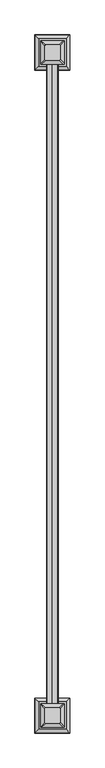
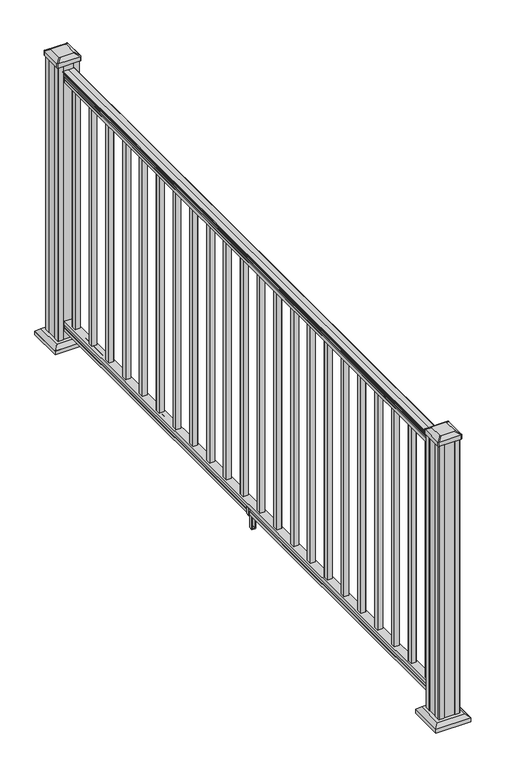
"""IFC4 building model written with IfcOpenShell, lengths in millimetres: railing geometry."""

import ifcopenshell
import ifcopenshell.guid

model = None  # the IFC model being written
_history = None  # IfcOwnerHistory: only IFC2X3 demands one
_inside = {}  # id of a spatial element -> (the spatial element, [elements in it])
_under = {}  # id of a project, library or spatial element -> (it, [spatial elements below it])
_declared = {}  # id of a project -> (the project, [libraries it declares])
_typed = {}  # id of a type object -> (the type object, [elements of that type])
_made_of = {}  # id of a material, layer set ... -> (it, [elements and type objects made of it])


def new_model(schema):
    """Start an empty IFC model of exactly this schema.

    Asked for "IFC4X3", IfcOpenShell would pick the latest addendum, in which some entities
    have other attributes; the version numbers below select the first issue.
    IFC2X3 requires an IfcOwnerHistory on every rooted entity: one is made here for all.
    """
    global model, _history
    if schema == "IFC4X3":
        model = ifcopenshell.file(schema_version=(4, 3, 0, 0))
    else:
        model = ifcopenshell.file(schema=schema)
    _inside.clear()
    _under.clear()
    _declared.clear()
    _typed.clear()
    _made_of.clear()
    _history = None
    if model.schema == "IFC2X3":
        org = make("IfcOrganization", Name="unknown")
        user = make(
            "IfcPersonAndOrganization",
            ThePerson=make("IfcPerson", FamilyName="unknown"),
            TheOrganization=org,
        )
        app = make(
            "IfcApplication",
            ApplicationDeveloper=org,
            Version="unknown",
            ApplicationFullName="unknown",
            ApplicationIdentifier="unknown",
        )
        _history = make(
            "IfcOwnerHistory",
            OwningUser=user,
            OwningApplication=app,
            ChangeAction="ADDED",
            CreationDate=0,
        )
    return model


def make(cls, **values):
    """One entity of the class cls with the attributes given. An attribute that is None is left unset."""
    return model.create_entity(
        cls, **{name: value for name, value in values.items() if value is not None}
    )


def rooted(cls, **values):
    """An entity with a GlobalId (a new one), such as an element, a storey or a relation."""
    return make(cls, GlobalId=ifcopenshell.guid.new(), OwnerHistory=_history, **values)


def si_unit(unit_type, name, prefix=None):
    """IfcSIUnit, for example si_unit("LENGTHUNIT", "METRE", prefix="MILLI")."""
    return make("IfcSIUnit", UnitType=unit_type, Prefix=prefix, Name=name)


def assignment(units):
    """IfcUnitAssignment: the units of a project."""
    return None if units is None else make("IfcUnitAssignment", Units=units)


def point(xyz):
    """IfcCartesianPoint."""
    return None if xyz is None else make("IfcCartesianPoint", Coordinates=xyz)


def direction(xyz):
    """IfcDirection."""
    return None if xyz is None else make("IfcDirection", DirectionRatios=xyz)


def frame(location, z_axis=None, x_axis=None):
    """IfcAxis2Placement3D, a coordinate frame: its origin and axes. An axis left out is left unset."""
    return make(
        "IfcAxis2Placement3D",
        Location=point(location),
        Axis=direction(z_axis),
        RefDirection=direction(x_axis),
    )


def frame_2d(location, x_axis=None):
    """IfcAxis2Placement2D, a coordinate frame in the plane: its origin and x axis."""
    return make(
        "IfcAxis2Placement2D", Location=point(location), RefDirection=direction(x_axis)
    )


def origin():
    """The frame at (0, 0, 0) with its axes left unset."""
    return frame((0.0, 0.0, 0.0))


def origin_with_axes():
    """The frame at (0, 0, 0) with the z axis (0, 0, 1) and the x axis (1, 0, 0) written out."""
    return frame((0.0, 0.0, 0.0), z_axis=(0.0, 0.0, 1.0), x_axis=(1.0, 0.0, 0.0))


def place(relative_to, where):
    """IfcLocalPlacement: puts the frame where relative to a parent placement (None: the world)."""
    return make(
        "IfcLocalPlacement", PlacementRelTo=relative_to, RelativePlacement=where
    )


def context(
    kind, dimensions, precision=None, world=None, true_north=None, identifier=None
):
    """IfcGeometricRepresentationContext, for example the 3D "Model" context."""
    return make(
        "IfcGeometricRepresentationContext",
        ContextIdentifier=identifier,
        ContextType=kind,
        CoordinateSpaceDimension=dimensions,
        Precision=precision,
        WorldCoordinateSystem=world,
        TrueNorth=true_north,
    )


def project(units=None, contexts=None):
    """IfcProject with its units and contexts."""
    return rooted(
        "IfcProject",
        Name="project",
        RepresentationContexts=contexts,
        UnitsInContext=assignment(units),
    )


def spatial(cls, under=None, at=None, **own):
    """A site, building, storey or space (cls), placed at a placement, below another one or the project."""
    s = rooted(cls, ObjectPlacement=at, **own)
    if under is not None:
        _under.setdefault(under.id(), (under, []))[1].append(s)
    return s


def polyline(points):
    """IfcPolyline through the points."""
    return make("IfcPolyline", Points=[point(p) for p in points])


def circle_curve(where, radius):
    """IfcCircle in the frame where."""
    return make("IfcCircle", Position=where, Radius=radius)


def trimmed(basis, trim1, trim2, sense, master):
    """IfcTrimmedCurve: the piece of a basis curve between two trims."""
    return make(
        "IfcTrimmedCurve",
        BasisCurve=basis,
        Trim1=trim1,
        Trim2=trim2,
        SenseAgreement=sense,
        MasterRepresentation=master,
    )


def segment(curve, same_sense, transition):
    """IfcCompositeCurveSegment."""
    return make(
        "IfcCompositeCurveSegment",
        Transition=transition,
        SameSense=same_sense,
        ParentCurve=curve,
    )


def composite_curve(segments, self_intersect=None):
    """IfcCompositeCurve: segments joined end to end."""
    return make("IfcCompositeCurve", Segments=segments, SelfIntersect=self_intersect)


def outline(outer, holes=None, kind="AREA"):
    """IfcArbitraryClosedProfileDef: a profile drawn as a closed curve; with holes, ...WithVoids."""
    if holes is None:
        return make("IfcArbitraryClosedProfileDef", ProfileType=kind, OuterCurve=outer)
    return make(
        "IfcArbitraryProfileDefWithVoids",
        ProfileType=kind,
        OuterCurve=outer,
        InnerCurves=holes,
    )


def extrude(swept, where, along, depth):
    """IfcExtrudedAreaSolid: the profile swept, set in the frame where, extruded along a direction by depth."""
    return make(
        "IfcExtrudedAreaSolid",
        SweptArea=swept,
        Position=where,
        ExtrudedDirection=direction(along),
        Depth=depth,
    )


def faces_of(points, faces, orient=None, outer=None):
    """IfcFace entities. A face is a list of loops; a loop is a list of indices into points, from 0.

    orient and outer hold one flag for each loop. By default every Orientation is true, the
    first loop of a face is its IfcFaceOuterBound and the others are IfcFaceBound.
    """
    made = []
    for i, loops in enumerate(faces):
        bounds = []
        for j, loop in enumerate(loops):
            is_outer = j == 0 if outer is None else outer[i][j]
            bounds.append(
                make(
                    "IfcFaceOuterBound" if is_outer else "IfcFaceBound",
                    Bound=make("IfcPolyLoop", Polygon=[points[k] for k in loop]),
                    Orientation=True if orient is None else orient[i][j],
                )
            )
        made.append(make("IfcFace", Bounds=bounds))
    return made


def faceted_brep(points, faces, orient=None, outer=None, voids=None):
    """IfcFacetedBrep: a solid bounded by flat faces; with voids (closed shells), ...WithVoids."""
    shared = [point(p) for p in points]
    hull = make("IfcClosedShell", CfsFaces=faces_of(shared, faces, orient, outer))
    if voids is None:
        return make("IfcFacetedBrep", Outer=hull)
    return make(
        "IfcFacetedBrepWithVoids",
        Outer=hull,
        Voids=[
            make(cls, CfsFaces=faces_of(shared, fs, o, b)) for cls, fs, o, b in voids
        ],
    )


def shape(context_of_items, identifier, shape_type, items):
    """IfcShapeRepresentation: the items that make up one representation, for example the "Body"."""
    return make(
        "IfcShapeRepresentation",
        ContextOfItems=context_of_items,
        RepresentationIdentifier=identifier,
        RepresentationType=shape_type,
        Items=items,
    )


def source(mapping_origin, context_of_items, identifier, shape_type, items):
    """IfcRepresentationMap: a shape defined once, which mapped items show again and again."""
    return make(
        "IfcRepresentationMap",
        MappingOrigin=mapping_origin,
        MappedRepresentation=shape(context_of_items, identifier, shape_type, items),
    )


def transform(
    local_origin,
    x_axis=None,
    y_axis=None,
    z_axis=None,
    scale=None,
    scale2=None,
    scale3=None,
    uniform=True,
):
    """IfcCartesianTransformationOperator3D, or its non-uniform kind. x_axis, y_axis, z_axis: its Axis1, 2, 3."""
    if uniform:
        return make(
            "IfcCartesianTransformationOperator3D",
            Axis1=direction(x_axis),
            Axis2=direction(y_axis),
            LocalOrigin=point(local_origin),
            Scale=scale,
            Axis3=direction(z_axis),
        )
    return make(
        "IfcCartesianTransformationOperator3DnonUniform",
        Axis1=direction(x_axis),
        Axis2=direction(y_axis),
        LocalOrigin=point(local_origin),
        Scale=scale,
        Axis3=direction(z_axis),
        Scale2=scale2,
        Scale3=scale3,
    )


def mapped(mapping_source, mapping_target):
    """IfcMappedItem: shows the shape of a source again, moved by a transform."""
    return make(
        "IfcMappedItem", MappingSource=mapping_source, MappingTarget=mapping_target
    )


def made_of(thing, what):
    """Note that an element or type object is made of a material, layer set ...; save() writes the relation."""
    if what is not None:
        _made_of.setdefault(what.id(), (what, []))[1].append(thing)
    return thing


def element(
    cls,
    number,
    at=None,
    inside=None,
    cuts=None,
    type_object=None,
    material=None,
    context=None,
    identifier="Body",
    shape_type=None,
    held_by="IfcProductDefinitionShape",
    body=None,
    shapes=None,
    **own,
):
    """One element of the class cls, such as IfcWall. Its Tag is "e" and its number.

    at: its placement. inside: the storey or other place that contains it. cuts: it is an
    opening in that element (IfcRelVoidsElement). A single representation is given by context,
    identifier, shape_type and body (its items); several are given by shapes. held_by: the class
    of the entity that holds the representations. save() writes the other relations.
    """
    e = rooted(cls, Tag="e%d" % number, ObjectPlacement=at, **own)
    if body is not None:
        shapes = [shape(context, identifier, shape_type, body)]
    if shapes is not None:
        e.Representation = make(held_by, Representations=shapes)
    if inside is not None:
        _inside.setdefault(inside.id(), (inside, []))[1].append(e)
    if cuts is not None:
        rooted(
            "IfcRelVoidsElement", RelatingBuildingElement=cuts, RelatedOpeningElement=e
        )
    if type_object is not None:
        _typed.setdefault(type_object.id(), (type_object, []))[1].append(e)
    return made_of(e, material)


def aggregate(whole, parts):
    """IfcRelAggregates: a whole, such as a stair, and the parts it consists of."""
    return rooted("IfcRelAggregates", RelatingObject=whole, RelatedObjects=parts)


def save(model, path):
    """Write the relations noted so far, then the file.

    IfcRelAggregates (storeys below a building ...), IfcRelContainedInSpatialStructure (elements
    in a storey), IfcRelDefinesByType, IfcRelAssociatesMaterial and IfcRelDeclares: one each for
    every whole, place, type object, material and project.
    """
    for whole, parts in _under.values():
        aggregate(whole, parts)
    for where, things in _inside.values():
        rooted(
            "IfcRelContainedInSpatialStructure",
            RelatedElements=things,
            RelatingStructure=where,
        )
    for kind, things in _typed.values():
        rooted("IfcRelDefinesByType", RelatedObjects=things, RelatingType=kind)
    for what, things in _made_of.values():
        rooted("IfcRelAssociatesMaterial", RelatedObjects=things, RelatingMaterial=what)
    for by, libraries in _declared.values():
        rooted("IfcRelDeclares", RelatingContext=by, RelatedDefinitions=libraries)
    model.write(path)


def plane_surface(at):
    """IfcPlane: the flat surface through the origin of the frame at, square to its z axis."""
    return make("IfcPlane", Position=at)


def cylinder_surface(at, radius):
    """IfcCylindricalSurface: all points at the distance radius from the z axis of the frame at."""
    return make("IfcCylindricalSurface", Position=at, Radius=radius)


def revolved_surface(curve, axis_point, axis_direction):
    """IfcSurfaceOfRevolution: the curve turned about the line through axis_point along axis_direction."""
    return make(
        "IfcSurfaceOfRevolution",
        SweptCurve=make("IfcArbitraryOpenProfileDef", ProfileType="CURVE", Curve=curve),
        AxisPosition=make("IfcAxis1Placement", Location=point(axis_point), Axis=direction(axis_direction)),
    )


def extruded_surface(curve, direction_of_extrusion, depth):
    """IfcSurfaceOfLinearExtrusion: the curve pushed along a direction by depth."""
    return make(
        "IfcSurfaceOfLinearExtrusion",
        SweptCurve=make("IfcArbitraryOpenProfileDef", ProfileType="CURVE", Curve=curve),
        ExtrudedDirection=direction(direction_of_extrusion),
        Depth=depth,
    )


def advanced_brep(points, edges, surfaces, faces):
    """IfcAdvancedBrep: a solid bounded by faces that lie on surfaces and meet in shared edges.

    An edge is (start, end): straight between two places in points (the first is 0);
    or (start, end, curve); or (start, end, curve, False) where it runs against its curve.
    A face is (place in surfaces, loops), or (place, loops, False) where it looks against
    its surface's normal. A loop lists edges by number (the first is 1), with a minus sign
    where the edge is run from its end to its start. The first loop is the outer one.
    """
    corners = [point(p) for p in points]
    vertices = [make("IfcVertexPoint", VertexGeometry=c) for c in corners]
    made = []
    for start, end, *more in edges:
        made.append(
            make(
                "IfcEdgeCurve",
                EdgeStart=vertices[start],
                EdgeEnd=vertices[end],
                EdgeGeometry=more[0] if more else make("IfcPolyline", Points=[corners[start], corners[end]]),
                SameSense=more[1] if len(more) > 1 else True,
            )
        )
    hull = []
    for where, loops, *sense in faces:
        bounds = []
        for j, loop in enumerate(loops):
            ring = [make("IfcOrientedEdge", EdgeElement=made[abs(k) - 1], Orientation=k > 0) for k in loop]
            bounds.append(
                make(
                    "IfcFaceOuterBound" if j == 0 else "IfcFaceBound",
                    Bound=make("IfcEdgeLoop", EdgeList=ring),
                    Orientation=True,
                )
            )
        hull.append(make("IfcAdvancedFace", Bounds=bounds, FaceSurface=surfaces[where], SameSense=sense[0] if sense else True))
    return make("IfcAdvancedBrep", Outer=make("IfcClosedShell", CfsFaces=hull))


def railing_ca5178e3(model_context):
    return source(origin(), model_context, "Body", "SolidModel", [
        advanced_brep(
        [(4827.1291125, 1894.4700183, 1090.8043297), (4829.7029412, 1894.4700183, 1090.8043297), (4829.7029412, 1894.4700183, 1080.147013), (4828.6869412, 1894.4700183, 1079.131013), (4828.6869412, 1894.4700183, 1066.8), (4860.4369412, 1894.4700183, 1066.8), (4860.4369412, 1894.4700183, 1079.2888283), (4859.4209412, 1894.4700183, 1080.3048283), (4859.4209412, 1894.4700183, 1090.8043297), (4861.9947699, 1894.4700183, 1090.8043297), (4861.9947699, 1894.4700183, 1092.692412), (4863.1249562, 1894.4700183, 1094.2546695), (4863.1249562, 1894.4700183, 1101.4726458), (4862.4756998, 1894.4700183, 1103.9060812), (4864.9756998, 1894.4700183, 1108.2362083), (4866.3850423, 1894.4700183, 1109.9157972), (4866.7869413, 1894.4700183, 1111.0205318), (4866.7869412, 1894.4700183, 1112.3608158), (4865.233494, 1894.4700183, 1113.914263), (4844.5619412, 1894.4700183, 1113.914263), (4823.8903884, 1894.4700183, 1113.914263), (4822.3369412, 1894.4700183, 1112.3608158), (4822.3369412, 1894.4700183, 1111.0205318), (4822.7388401, 1894.4700183, 1109.9157972), (4824.1481826, 1894.4700183, 1108.2362083), (4826.6481826, 1894.4700183, 1103.9060812), (4825.9989262, 1894.4700183, 1101.4726458), (4825.9989262, 1894.4700183, 1094.2546695), (4827.1291125, 1894.4700183, 1092.692412), (4827.1291125, 4332.8700183, 1090.8043297), (4827.1291125, 4332.8700183, 1092.692412), (4825.9989262, 4332.8700183, 1094.2546695), (4825.9989262, 4332.8700183, 1101.4726458), (4826.6481826, 4332.8700183, 1103.9060812), (4824.1481826, 4332.8700183, 1108.2362083), (4822.7388401, 4332.8700183, 1109.9157972), (4822.3369411, 4332.8700183, 1111.0205318), (4822.3369412, 4332.8700183, 1112.3608158), (4823.8903884, 4332.8700183, 1113.914263), (4844.5619412, 4332.8700183, 1113.914263), (4865.233494, 4332.8700183, 1113.914263), (4866.7869412, 4332.8700183, 1112.3608158), (4866.7869412, 4332.8700183, 1111.0205318), (4866.3850423, 4332.8700183, 1109.9157972), (4864.9756998, 4332.8700183, 1108.2362083), (4862.4756998, 4332.8700183, 1103.9060812), (4863.1249562, 4332.8700183, 1101.4726458), (4863.1249562, 4332.8700183, 1094.2546695), (4861.9947699, 4332.8700183, 1092.692412), (4861.9947699, 4332.8700183, 1090.8043297), (4859.4209412, 4332.8700183, 1090.8043297), (4859.4209412, 4332.8700183, 1080.3048283), (4860.4369412, 4332.8700183, 1079.2888283), (4860.4369412, 4332.8700183, 1066.8), (4828.6869412, 4332.8700183, 1066.8), (4828.6869412, 4332.8700183, 1079.131013), (4829.7029412, 4332.8700183, 1080.147013), (4829.7029412, 4332.8700183, 1090.8043297)],
        [
            (0, 1, circle_curve(frame((4828.4160268, 1894.4700183, 1090.8043297), z_axis=(0.0, -1.0, 0.0), x_axis=(1.0, 0.0, 0.0)), 1.2869144)),
            (1, 2),
            (2, 3),
            (3, 4),
            (4, 5),
            (5, 6),
            (6, 7),
            (7, 8),
            (8, 9, circle_curve(frame((4860.7078556, 1894.4700183, 1090.8043297), z_axis=(0.0, -1.0, 0.0), x_axis=(-1.0, 0.0, 0.0)), 1.2869144)),
            (9, 10),
            (10, 11, circle_curve(frame((4855.6800167, 1894.4700183, 1098.4506383), z_axis=(0.0, -1.0, 0.0), x_axis=(-1.0, 0.0, 0.0)), 8.545951)),
            (11, 12, circle_curve(frame((4856.1170796, 1894.4700183, 1097.8636577), z_axis=(0.0, -1.0, 0.0), x_axis=(-1.0, 0.0, 0.0)), 7.882584)),
            (12, 13, circle_curve(frame((4866.6304038, 1894.4700183, 1103.7112527), z_axis=(0.0, 1.0, 0.0), x_axis=(-1.0, 0.0, 0.0)), 4.1592695)),
            (13, 14, circle_curve(frame((4867.9177103, 1894.4700183, 1103.6508864), z_axis=(0.0, 1.0, 0.0), x_axis=(-1.0, 0.0, 0.0)), 5.4479907)),
            (14, 15, circle_curve(frame((4866.6845519, 1894.4700183, 1108.233395), z_axis=(0.0, 1.0, 0.0), x_axis=(-1.0, 0.0, 0.0)), 1.7088543)),
            (15, 16, circle_curve(frame((4865.0676518, 1894.4700183, 1111.0205318), z_axis=(0.0, -1.0, 0.0), x_axis=(-1.0, 0.0, 0.0)), 1.7192895)),
            (16, 17),
            (17, 18, circle_curve(frame((4865.233494, 1894.4700183, 1112.3608158), z_axis=(0.0, -1.0, 0.0), x_axis=(-1.0, 0.0, 0.0)), 1.5534472)),
            (18, 19),
            (19, 20),
            (20, 21, circle_curve(frame((4823.8903884, 1894.4700183, 1112.3608158), z_axis=(0.0, -1.0, 0.0), x_axis=(1.0, 0.0, 0.0)), 1.5534472)),
            (21, 22),
            (22, 23, circle_curve(frame((4824.0562306, 1894.4700183, 1111.0205318), z_axis=(0.0, -1.0, 0.0), x_axis=(1.0, 0.0, 0.0)), 1.7192895)),
            (23, 24, circle_curve(frame((4822.4393305, 1894.4700183, 1108.233395), z_axis=(0.0, 1.0, 0.0), x_axis=(1.0, 0.0, 0.0)), 1.7088543)),
            (24, 25, circle_curve(frame((4821.2061721, 1894.4700183, 1103.6508864), z_axis=(0.0, 1.0, 0.0), x_axis=(1.0, 0.0, 0.0)), 5.4479907)),
            (25, 26, circle_curve(frame((4822.4934787, 1894.4700183, 1103.7112527), z_axis=(0.0, 1.0, 0.0), x_axis=(1.0, 0.0, 0.0)), 4.1592695)),
            (26, 27, circle_curve(frame((4833.0068028, 1894.4700183, 1097.8636577), z_axis=(0.0, -1.0, 0.0), x_axis=(1.0, 0.0, 0.0)), 7.882584)),
            (27, 28, circle_curve(frame((4833.4438658, 1894.4700183, 1098.4506383), z_axis=(0.0, -1.0, 0.0), x_axis=(1.0, 0.0, 0.0)), 8.545951)),
            (28, 0),
            (29, 30),
            (30, 31, circle_curve(frame((4833.4438658, 4332.8700183, 1098.4506383), z_axis=(0.0, 1.0, 0.0), x_axis=(1.0, 0.0, 0.0)), 8.545951)),
            (31, 32, circle_curve(frame((4833.0068028, 4332.8700183, 1097.8636577), z_axis=(0.0, 1.0, 0.0), x_axis=(1.0, 0.0, 0.0)), 7.882584)),
            (32, 33, circle_curve(frame((4822.4934787, 4332.8700183, 1103.7112527), z_axis=(0.0, -1.0, 0.0), x_axis=(1.0, 0.0, 0.0)), 4.1592695)),
            (33, 34, circle_curve(frame((4821.2061721, 4332.8700183, 1103.6508864), z_axis=(0.0, -1.0, 0.0), x_axis=(1.0, 0.0, 0.0)), 5.4479907)),
            (34, 35, circle_curve(frame((4822.4393305, 4332.8700183, 1108.233395), z_axis=(0.0, -1.0, 0.0), x_axis=(1.0, 0.0, 0.0)), 1.7088543)),
            (35, 36, circle_curve(frame((4824.0562306, 4332.8700183, 1111.0205318), z_axis=(0.0, 1.0, 0.0), x_axis=(1.0, 0.0, 0.0)), 1.7192895)),
            (36, 37),
            (37, 38, circle_curve(frame((4823.8903884, 4332.8700183, 1112.3608158), z_axis=(0.0, 1.0, 0.0), x_axis=(1.0, 0.0, 0.0)), 1.5534472)),
            (38, 39),
            (39, 40),
            (40, 41, circle_curve(frame((4865.233494, 4332.8700183, 1112.3608158), z_axis=(0.0, 1.0, 0.0), x_axis=(-1.0, 0.0, 0.0)), 1.5534472)),
            (41, 42),
            (42, 43, circle_curve(frame((4865.0676518, 4332.8700183, 1111.0205318), z_axis=(0.0, 1.0, 0.0), x_axis=(-1.0, 0.0, 0.0)), 1.7192895)),
            (43, 44, circle_curve(frame((4866.6845519, 4332.8700183, 1108.233395), z_axis=(0.0, -1.0, 0.0), x_axis=(-1.0, 0.0, 0.0)), 1.7088543)),
            (44, 45, circle_curve(frame((4867.9177103, 4332.8700183, 1103.6508864), z_axis=(0.0, -1.0, 0.0), x_axis=(-1.0, 0.0, 0.0)), 5.4479907)),
            (45, 46, circle_curve(frame((4866.6304038, 4332.8700183, 1103.7112527), z_axis=(0.0, -1.0, 0.0), x_axis=(-1.0, 0.0, 0.0)), 4.1592695)),
            (46, 47, circle_curve(frame((4856.1170796, 4332.8700183, 1097.8636577), z_axis=(0.0, 1.0, 0.0), x_axis=(-1.0, 0.0, 0.0)), 7.882584)),
            (47, 48, circle_curve(frame((4855.6800167, 4332.8700183, 1098.4506383), z_axis=(0.0, 1.0, 0.0), x_axis=(-1.0, 0.0, 0.0)), 8.545951)),
            (48, 49),
            (49, 50, circle_curve(frame((4860.7078556, 4332.8700183, 1090.8043297), z_axis=(0.0, 1.0, 0.0), x_axis=(-1.0, 0.0, 0.0)), 1.2869144)),
            (50, 51),
            (51, 52),
            (52, 53),
            (53, 54),
            (54, 55),
            (55, 56),
            (56, 57),
            (57, 29, circle_curve(frame((4828.4160268, 4332.8700183, 1090.8043297), z_axis=(0.0, 1.0, 0.0), x_axis=(1.0, 0.0, 0.0)), 1.2869144)),
            (0, 29),
            (57, 1),
            (56, 2),
            (55, 3),
            (54, 4),
            (53, 5),
            (52, 6),
            (51, 7),
            (50, 8),
            (49, 9),
            (48, 10),
            (47, 11),
            (46, 12),
            (45, 13),
            (44, 14),
            (43, 15),
            (42, 16),
            (41, 17),
            (40, 18),
            (39, 19),
            (38, 20),
            (37, 21),
            (36, 22),
            (35, 23),
            (34, 24),
            (33, 25),
            (32, 26),
            (31, 27),
            (30, 28),
        ],
        [
            plane_surface(frame((4844.5619412, 1894.4700183, 1066.8), z_axis=(0.0, -1.0, 0.0), x_axis=(0.0, 0.0, 1.0))),
            plane_surface(frame((4844.5619412, 4332.8700183, 1066.8), z_axis=(0.0, 1.0, 0.0), x_axis=(0.0, 0.0, 1.0))),
            cylinder_surface(frame((4828.4160268, 1894.4700183, 1090.8043297), z_axis=(0.0, -1.0, 0.0), x_axis=(1.0, 0.0, 0.0)), 1.2869144),
            plane_surface(frame((4829.7029412, 1894.4700183, 1090.8043297), z_axis=(-1.0, 0.0, 0.0), x_axis=(0.0, 1.0, 0.0))),
            plane_surface(frame((4829.7029412, 1894.4700183, 1080.147013), z_axis=(-0.7071067811865395, 0.0, 0.7071067811865556), x_axis=(0.0, 1.0, 0.0))),
            plane_surface(frame((4828.6869412, 1894.4700183, 1079.131013), z_axis=(-1.0, 0.0, 0.0), x_axis=(0.0, 1.0, 0.0))),
            plane_surface(frame((4828.6869412, 1894.4700183, 1066.8), z_axis=(0.0, 0.0, -1.0), x_axis=(0.0, 1.0, 0.0))),
            plane_surface(frame((4860.4369412, 1894.4700183, 1066.8), z_axis=(1.0, 0.0, 0.0), x_axis=(0.0, 1.0, 0.0))),
            plane_surface(frame((4860.4369412, 1894.4700183, 1079.2888283), z_axis=(0.7071067811865432, 0.0, 0.707106781186552), x_axis=(0.0, 1.0, 0.0))),
            plane_surface(frame((4859.4209412, 1894.4700183, 1080.3048283), z_axis=(1.0, 0.0, 0.0), x_axis=(0.0, 1.0, 0.0))),
            cylinder_surface(frame((4860.7078556, 1894.4700183, 1090.8043297), z_axis=(0.0, -1.0, 0.0), x_axis=(-1.0, 0.0, 0.0)), 1.2869144),
            plane_surface(frame((4861.9947699, 1894.4700183, 1090.8043297), z_axis=(1.0, 0.0, 0.0), x_axis=(0.0, 1.0, 0.0))),
            cylinder_surface(frame((4855.6800167, 1894.4700183, 1098.4506383), z_axis=(0.0, -1.0, 0.0), x_axis=(-1.0, 0.0, 0.0)), 8.545951),
            cylinder_surface(frame((4856.1170796, 1894.4700183, 1097.8636577), z_axis=(0.0, -1.0, 0.0), x_axis=(-1.0, 0.0, 0.0)), 7.882584),
            revolved_surface(polyline([(4862.4711343, 4332.8700183, 1103.7112527), (4862.4711343, 1894.4700183, 1103.7112527)]), (4866.6304038, 1894.4700183, 1103.7112527), (0.0, 1.0, 0.0)),
            revolved_surface(polyline([(4862.4697196, 4332.8700183, 1103.6508864), (4862.4697196, 1894.4700183, 1103.6508864)]), (4867.9177103, 1894.4700183, 1103.6508864), (0.0, 1.0, 0.0)),
            revolved_surface(polyline([(4864.9756976, 4332.8700183, 1108.233395), (4864.9756976, 1894.4700183, 1108.233395)]), (4866.6845519, 1894.4700183, 1108.233395), (0.0, 1.0, 0.0)),
            cylinder_surface(frame((4865.0676518, 1894.4700183, 1111.0205318), z_axis=(0.0, -1.0, 0.0), x_axis=(-1.0, 0.0, 0.0)), 1.7192895),
            plane_surface(frame((4866.7869412, 1894.4700183, 1111.0205318), z_axis=(1.0, 0.0, 0.0), x_axis=(0.0, 1.0, 0.0))),
            cylinder_surface(frame((4865.233494, 1894.4700183, 1112.3608158), z_axis=(0.0, -1.0, 0.0), x_axis=(-1.0, 0.0, 0.0)), 1.5534472),
            plane_surface(frame((4865.233494, 1894.4700183, 1113.914263), z_axis=(0.0, 0.0, 1.0), x_axis=(0.0, 1.0, 0.0))),
            plane_surface(frame((4844.5619412, 1894.4700183, 1113.914263), z_axis=(0.0, 0.0, 1.0), x_axis=(0.0, 1.0, 0.0))),
            cylinder_surface(frame((4823.8903884, 1894.4700183, 1112.3608158), z_axis=(0.0, -1.0, 0.0), x_axis=(1.0, 0.0, 0.0)), 1.5534472),
            plane_surface(frame((4822.3369412, 1894.4700183, 1112.3608158), z_axis=(-1.0, 0.0, 0.0), x_axis=(0.0, 1.0, 0.0))),
            cylinder_surface(frame((4824.0562306, 1894.4700183, 1111.0205318), z_axis=(0.0, -1.0, 0.0), x_axis=(1.0, 0.0, 0.0)), 1.7192895),
            revolved_surface(polyline([(4824.1481848, 4332.8700183, 1108.233395), (4824.1481848, 1894.4700183, 1108.233395)]), (4822.4393305, 1894.4700183, 1108.233395), (0.0, 1.0, 0.0)),
            revolved_surface(polyline([(4826.6541628, 4332.8700183, 1103.6508864), (4826.6541628, 1894.4700183, 1103.6508864)]), (4821.2061721, 1894.4700183, 1103.6508864), (0.0, 1.0, 0.0)),
            revolved_surface(polyline([(4826.6527482, 4332.8700183, 1103.7112527), (4826.6527482, 1894.4700183, 1103.7112527)]), (4822.4934787, 1894.4700183, 1103.7112527), (0.0, 1.0, 0.0)),
            cylinder_surface(frame((4833.0068028, 1894.4700183, 1097.8636577), z_axis=(0.0, -1.0, 0.0), x_axis=(1.0, 0.0, 0.0)), 7.882584),
            cylinder_surface(frame((4833.4438658, 1894.4700183, 1098.4506383), z_axis=(0.0, -1.0, 0.0), x_axis=(1.0, 0.0, 0.0)), 8.545951),
            plane_surface(frame((4827.1291125, 1894.4700183, 1092.692412), z_axis=(-1.0, 0.0, 0.0), x_axis=(0.0, 1.0, 0.0))),
        ],
        [
            (0, [[1, 2, 3, 4, 5, 6, 7, 8, 9, 10, 11, 12, 13, 14, 15, 16, 17, 18, 19, 20, 21, 22, 23, 24, 25, 26, 27, 28, 29]]),
            (1, [[30, 31, 32, 33, 34, 35, 36, 37, 38, 39, 40, 41, 42, 43, 44, 45, 46, 47, 48, 49, 50, 51, 52, 53, 54, 55, 56, 57, 58]]),
            (2, [[-1, 59, -58, 60]]),
            (3, [[-2, -60, -57, 61]]),
            (4, [[-3, -61, -56, 62]]),
            (5, [[-4, -62, -55, 63]]),
            (6, [[-5, -63, -54, 64]]),
            (7, [[-6, -64, -53, 65]]),
            (8, [[-7, -65, -52, 66]]),
            (9, [[-8, -66, -51, 67]]),
            (10, [[-9, -67, -50, 68]]),
            (11, [[-10, -68, -49, 69]]),
            (12, [[-11, -69, -48, 70]]),
            (13, [[-12, -70, -47, 71]]),
            (14, [[-13, -71, -46, 72]]),
            (15, [[-14, -72, -45, 73]]),
            (16, [[-15, -73, -44, 74]]),
            (17, [[-16, -74, -43, 75]]),
            (18, [[-17, -75, -42, 76]]),
            (19, [[-18, -76, -41, 77]]),
            (20, [[-19, -77, -40, 78]]),
            (21, [[-20, -78, -39, 79]]),
            (22, [[-21, -79, -38, 80]]),
            (23, [[-22, -80, -37, 81]]),
            (24, [[-23, -81, -36, 82]]),
            (25, [[-24, -82, -35, 83]]),
            (26, [[-25, -83, -34, 84]]),
            (27, [[-26, -84, -33, 85]]),
            (28, [[-27, -85, -32, 86]]),
            (29, [[-28, -86, -31, 87]]),
            (30, [[-29, -87, -30, -59]]),
        ],
    ),
        faceted_brep([(4828.6494543, 1894.4700183, 76.0541976), (4828.6494543, 1894.4700183, 63.5), (4860.3994543, 1894.4700183, 63.5), (4860.3994543, 1894.4700183, 76.0375508), (4859.3834543, 1894.4700183, 77.3858283), (4859.3834543, 1894.4700183, 87.6975248), (4860.3994543, 1894.4700183, 89.0458024), (4860.3994543, 1894.4700183, 101.5958781), (4828.6494543, 1894.4700183, 101.5958781), (4828.6494543, 1894.4700183, 89.0624492), (4829.6654543, 1894.4700183, 87.7141717), (4829.6654543, 1894.4700183, 77.3546183), (4828.6494543, 4332.8700183, 76.0541976), (4829.6654543, 4332.8700183, 77.3546183), (4829.6654543, 4332.8700183, 87.7141717), (4828.6494543, 4332.8700183, 89.0624492), (4828.6494543, 4332.8700183, 101.5958781), (4860.3994543, 4332.8700183, 101.5958781), (4860.3994543, 4332.8700183, 89.0458024), (4859.3834543, 4332.8700183, 87.6975248), (4859.3834543, 4332.8700183, 77.3858283), (4860.3994543, 4332.8700183, 76.0375508), (4860.3994543, 4332.8700183, 63.5), (4828.6494543, 4332.8700183, 63.5)], [[[0, 1, 2, 3, 4, 5, 6, 7, 8, 9, 10, 11]], [[12, 13, 14, 15, 16, 17, 18, 19, 20, 21, 22, 23]], [[1, 0, 12, 23]], [[2, 1, 23, 22]], [[3, 2, 22, 21]], [[4, 3, 21, 20]], [[5, 4, 20, 19]], [[6, 5, 19, 18]], [[7, 6, 18, 17]], [[8, 7, 17, 16]], [[9, 8, 16, 15]], [[10, 9, 15, 14]], [[11, 10, 14, 13]], [[0, 11, 13, 12]]]),
        extrude(outline(polyline([(4835.0369412, 4273.5610183), (4835.0369412, 4292.6110183), (4854.0869412, 4292.6110183), (4854.0869412, 4273.5610183), (4835.0369412, 4273.5610183)]), holes=[polyline([(4835.4338162, 4273.9578933), (4853.6900662, 4273.9578933), (4853.6900662, 4292.2141433), (4835.4338162, 4292.2141433), (4835.4338162, 4273.9578933)])]), frame((0.0, 0.0, 101.5958781), z_axis=(0.0, 0.0, 1.0), x_axis=(1.0, 0.0, 0.0)), (0.0, 0.0, 1.0), 965.2041219),
        extrude(outline(polyline([(4835.0369412, 4162.3090183), (4835.0369412, 4181.3590183), (4854.0869412, 4181.3590183), (4854.0869412, 4162.3090183), (4835.0369412, 4162.3090183)]), holes=[polyline([(4835.4338162, 4162.7058933), (4853.6900662, 4162.7058933), (4853.6900662, 4180.9621433), (4835.4338162, 4180.9621433), (4835.4338162, 4162.7058933)])]), frame((0.0, 0.0, 101.5958781), z_axis=(0.0, 0.0, 1.0), x_axis=(1.0, 0.0, 0.0)), (0.0, 0.0, 1.0), 965.2041219),
        extrude(outline(polyline([(4835.0369412, 4051.0570183), (4835.0369412, 4070.1070183), (4854.0869412, 4070.1070183), (4854.0869412, 4051.0570183), (4835.0369412, 4051.0570183)]), holes=[polyline([(4835.4338162, 4051.4538933), (4853.6900662, 4051.4538933), (4853.6900662, 4069.7101433), (4835.4338162, 4069.7101433), (4835.4338162, 4051.4538933)])]), frame((0.0, 0.0, 101.5958781), z_axis=(0.0, 0.0, 1.0), x_axis=(1.0, 0.0, 0.0)), (0.0, 0.0, 1.0), 965.2041219),
        extrude(outline(polyline([(4835.0369412, 3939.8050183), (4835.0369412, 3958.8550183), (4854.0869412, 3958.8550183), (4854.0869412, 3939.8050183), (4835.0369412, 3939.8050183)]), holes=[polyline([(4835.4338162, 3940.2018933), (4853.6900662, 3940.2018933), (4853.6900662, 3958.4581433), (4835.4338162, 3958.4581433), (4835.4338162, 3940.2018933)])]), frame((0.0, 0.0, 101.5958781), z_axis=(0.0, 0.0, 1.0), x_axis=(1.0, 0.0, 0.0)), (0.0, 0.0, 1.0), 965.2041219),
        extrude(outline(polyline([(4835.0369412, 3828.5530183), (4835.0369412, 3847.6030183), (4854.0869412, 3847.6030183), (4854.0869412, 3828.5530183), (4835.0369412, 3828.5530183)]), holes=[polyline([(4835.4338162, 3828.9498933), (4853.6900662, 3828.9498933), (4853.6900662, 3847.2061433), (4835.4338162, 3847.2061433), (4835.4338162, 3828.9498933)])]), frame((0.0, 0.0, 101.5958781), z_axis=(0.0, 0.0, 1.0), x_axis=(1.0, 0.0, 0.0)), (0.0, 0.0, 1.0), 965.2041219),
        extrude(outline(polyline([(4835.0369412, 3717.3010183), (4835.0369412, 3736.3510183), (4854.0869412, 3736.3510183), (4854.0869412, 3717.3010183), (4835.0369412, 3717.3010183)]), holes=[polyline([(4835.4338162, 3717.6978933), (4853.6900662, 3717.6978933), (4853.6900662, 3735.9541433), (4835.4338162, 3735.9541433), (4835.4338162, 3717.6978933)])]), frame((0.0, 0.0, 101.5958781), z_axis=(0.0, 0.0, 1.0), x_axis=(1.0, 0.0, 0.0)), (0.0, 0.0, 1.0), 965.2041219),
        extrude(outline(polyline([(4835.0369412, 3606.0490183), (4835.0369412, 3625.0990183), (4854.0869412, 3625.0990183), (4854.0869412, 3606.0490183), (4835.0369412, 3606.0490183)]), holes=[polyline([(4835.4338162, 3606.4458933), (4853.6900662, 3606.4458933), (4853.6900662, 3624.7021433), (4835.4338162, 3624.7021433), (4835.4338162, 3606.4458933)])]), frame((0.0, 0.0, 101.5958781), z_axis=(0.0, 0.0, 1.0), x_axis=(1.0, 0.0, 0.0)), (0.0, 0.0, 1.0), 965.2041219),
        extrude(outline(polyline([(4835.0369412, 3494.7970183), (4835.0369412, 3513.8470183), (4854.0869412, 3513.8470183), (4854.0869412, 3494.7970183), (4835.0369412, 3494.7970183)]), holes=[polyline([(4835.4338162, 3495.1938933), (4853.6900662, 3495.1938933), (4853.6900662, 3513.4501433), (4835.4338162, 3513.4501433), (4835.4338162, 3495.1938933)])]), frame((0.0, 0.0, 101.5958781), z_axis=(0.0, 0.0, 1.0), x_axis=(1.0, 0.0, 0.0)), (0.0, 0.0, 1.0), 965.2041219),
        extrude(outline(polyline([(4835.0369412, 3383.5450183), (4835.0369412, 3402.5950183), (4854.0869412, 3402.5950183), (4854.0869412, 3383.5450183), (4835.0369412, 3383.5450183)]), holes=[polyline([(4835.4338162, 3383.9418933), (4853.6900662, 3383.9418933), (4853.6900662, 3402.1981433), (4835.4338162, 3402.1981433), (4835.4338162, 3383.9418933)])]), frame((0.0, 0.0, 101.5958781), z_axis=(0.0, 0.0, 1.0), x_axis=(1.0, 0.0, 0.0)), (0.0, 0.0, 1.0), 965.2041219),
        extrude(outline(polyline([(4835.0369412, 3272.2930183), (4835.0369412, 3291.3430183), (4854.0869412, 3291.3430183), (4854.0869412, 3272.2930183), (4835.0369412, 3272.2930183)]), holes=[polyline([(4835.4338162, 3272.6898933), (4853.6900662, 3272.6898933), (4853.6900662, 3290.9461433), (4835.4338162, 3290.9461433), (4835.4338162, 3272.6898933)])]), frame((0.0, 0.0, 101.5958781), z_axis=(0.0, 0.0, 1.0), x_axis=(1.0, 0.0, 0.0)), (0.0, 0.0, 1.0), 965.2041219),
        extrude(outline(polyline([(4835.0369412, 3161.0410183), (4835.0369412, 3180.0910183), (4854.0869412, 3180.0910183), (4854.0869412, 3161.0410183), (4835.0369412, 3161.0410183)]), holes=[polyline([(4835.4338162, 3161.4378933), (4853.6900662, 3161.4378933), (4853.6900662, 3179.6941433), (4835.4338162, 3179.6941433), (4835.4338162, 3161.4378933)])]), frame((0.0, 0.0, 101.5958781), z_axis=(0.0, 0.0, 1.0), x_axis=(1.0, 0.0, 0.0)), (0.0, 0.0, 1.0), 965.2041219),
        extrude(outline(polyline([(88.7203979, 4862.72294), (88.7203979, 4860.6909404), (87.7043953, 4859.6749406), (77.2686081, 4859.6749406), (76.2526073, 4860.6909404), (64.262001, 4860.6909404), (63.5000019, 4859.9289413), (63.5000019, 4829.1949402), (64.262001, 4828.432941), (76.2526073, 4828.432941), (77.2686081, 4829.4489408), (87.7043953, 4829.4489408), (88.7203979, 4828.432941), (88.7203979, 4826.4009414), (87.9583969, 4825.6389404), (61.4680023, 4825.6389404), (60.7060013, 4826.4009414), (60.7060013, 4836.4339405), (59.9440012, 4837.1959406), (0.762001, 4837.1959406), (0.0, 4837.9579416), (0.0, 4851.1659408), (0.7620001, 4851.9279409), (59.9440012, 4851.9279409), (60.7060013, 4852.689941), (60.7060013, 4862.72294), (61.4680023, 4863.4849411), (87.9583969, 4863.4849411), (88.7203979, 4862.72294)]), holes=[polyline([(60.7060013, 4841.1329408), (60.7060013, 4847.9909406), (59.9440012, 4848.7529407), (3.9370003, 4848.7529407), (3.1750031, 4847.9909435), (3.1750031, 4841.1329408), (3.9370031, 4840.3709407), (59.9440012, 4840.3709407), (60.7060013, 4841.1329408)])]), frame((0.0, 3107.5740183, 0.0), z_axis=(0.0, 1.0, 0.0), x_axis=(0.0, 0.0, 1.0)), (0.0, 0.0, 1.0), 14.732),
        extrude(outline(polyline([(4835.0369412, 3049.7890183), (4835.0369412, 3068.8390183), (4854.0869412, 3068.8390183), (4854.0869412, 3049.7890183), (4835.0369412, 3049.7890183)]), holes=[polyline([(4835.4338162, 3050.1858933), (4853.6900662, 3050.1858933), (4853.6900662, 3068.4421433), (4835.4338162, 3068.4421433), (4835.4338162, 3050.1858933)])]), frame((0.0, 0.0, 101.5958781), z_axis=(0.0, 0.0, 1.0), x_axis=(1.0, 0.0, 0.0)), (0.0, 0.0, 1.0), 965.2041219),
        extrude(outline(polyline([(4835.0369412, 2938.5370183), (4835.0369412, 2957.5870183), (4854.0869412, 2957.5870183), (4854.0869412, 2938.5370183), (4835.0369412, 2938.5370183)]), holes=[polyline([(4835.4338162, 2938.9338933), (4853.6900662, 2938.9338933), (4853.6900662, 2957.1901433), (4835.4338162, 2957.1901433), (4835.4338162, 2938.9338933)])]), frame((0.0, 0.0, 101.5958781), z_axis=(0.0, 0.0, 1.0), x_axis=(1.0, 0.0, 0.0)), (0.0, 0.0, 1.0), 965.2041219),
        extrude(outline(polyline([(4835.0369412, 2827.2850183), (4835.0369412, 2846.3350183), (4854.0869412, 2846.3350183), (4854.0869412, 2827.2850183), (4835.0369412, 2827.2850183)]), holes=[polyline([(4835.4338162, 2827.6818933), (4853.6900662, 2827.6818933), (4853.6900662, 2845.9381433), (4835.4338162, 2845.9381433), (4835.4338162, 2827.6818933)])]), frame((0.0, 0.0, 101.5958781), z_axis=(0.0, 0.0, 1.0), x_axis=(1.0, 0.0, 0.0)), (0.0, 0.0, 1.0), 965.2041219),
        extrude(outline(polyline([(4835.0369412, 2716.0330183), (4835.0369412, 2735.0830183), (4854.0869412, 2735.0830183), (4854.0869412, 2716.0330183), (4835.0369412, 2716.0330183)]), holes=[polyline([(4835.4338162, 2716.4298933), (4853.6900662, 2716.4298933), (4853.6900662, 2734.6861433), (4835.4338162, 2734.6861433), (4835.4338162, 2716.4298933)])]), frame((0.0, 0.0, 101.5958781), z_axis=(0.0, 0.0, 1.0), x_axis=(1.0, 0.0, 0.0)), (0.0, 0.0, 1.0), 965.2041219),
        extrude(outline(polyline([(4835.0369412, 2604.7810183), (4835.0369412, 2623.8310183), (4854.0869412, 2623.8310183), (4854.0869412, 2604.7810183), (4835.0369412, 2604.7810183)]), holes=[polyline([(4835.4338162, 2605.1778933), (4853.6900662, 2605.1778933), (4853.6900662, 2623.4341433), (4835.4338162, 2623.4341433), (4835.4338162, 2605.1778933)])]), frame((0.0, 0.0, 101.5958781), z_axis=(0.0, 0.0, 1.0), x_axis=(1.0, 0.0, 0.0)), (0.0, 0.0, 1.0), 965.2041219),
        extrude(outline(polyline([(4835.0369412, 2493.5290183), (4835.0369412, 2512.5790183), (4854.0869412, 2512.5790183), (4854.0869412, 2493.5290183), (4835.0369412, 2493.5290183)]), holes=[polyline([(4835.4338162, 2493.9258933), (4853.6900662, 2493.9258933), (4853.6900662, 2512.1821433), (4835.4338162, 2512.1821433), (4835.4338162, 2493.9258933)])]), frame((0.0, 0.0, 101.5958781), z_axis=(0.0, 0.0, 1.0), x_axis=(1.0, 0.0, 0.0)), (0.0, 0.0, 1.0), 965.2041219),
        extrude(outline(polyline([(4835.0369412, 2382.2770183), (4835.0369412, 2401.3270183), (4854.0869412, 2401.3270183), (4854.0869412, 2382.2770183), (4835.0369412, 2382.2770183)]), holes=[polyline([(4835.4338162, 2382.6738933), (4853.6900662, 2382.6738933), (4853.6900662, 2400.9301433), (4835.4338162, 2400.9301433), (4835.4338162, 2382.6738933)])]), frame((0.0, 0.0, 101.5958781), z_axis=(0.0, 0.0, 1.0), x_axis=(1.0, 0.0, 0.0)), (0.0, 0.0, 1.0), 965.2041219),
        extrude(outline(polyline([(4835.0369412, 2271.0250183), (4835.0369412, 2290.0750183), (4854.0869412, 2290.0750183), (4854.0869412, 2271.0250183), (4835.0369412, 2271.0250183)]), holes=[polyline([(4835.4338162, 2271.4218933), (4853.6900662, 2271.4218933), (4853.6900662, 2289.6781433), (4835.4338162, 2289.6781433), (4835.4338162, 2271.4218933)])]), frame((0.0, 0.0, 101.5958781), z_axis=(0.0, 0.0, 1.0), x_axis=(1.0, 0.0, 0.0)), (0.0, 0.0, 1.0), 965.2041219),
        extrude(outline(polyline([(4835.0369412, 2159.7730183), (4835.0369412, 2178.8230183), (4854.0869412, 2178.8230183), (4854.0869412, 2159.7730183), (4835.0369412, 2159.7730183)]), holes=[polyline([(4835.4338162, 2160.1698933), (4853.6900662, 2160.1698933), (4853.6900662, 2178.4261433), (4835.4338162, 2178.4261433), (4835.4338162, 2160.1698933)])]), frame((0.0, 0.0, 101.5958781), z_axis=(0.0, 0.0, 1.0), x_axis=(1.0, 0.0, 0.0)), (0.0, 0.0, 1.0), 965.2041219),
        extrude(outline(polyline([(4835.0369412, 2048.5210183), (4835.0369412, 2067.5710183), (4854.0869412, 2067.5710183), (4854.0869412, 2048.5210183), (4835.0369412, 2048.5210183)]), holes=[polyline([(4835.4338162, 2048.9178933), (4853.6900662, 2048.9178933), (4853.6900662, 2067.1741433), (4835.4338162, 2067.1741433), (4835.4338162, 2048.9178933)])]), frame((0.0, 0.0, 101.5958781), z_axis=(0.0, 0.0, 1.0), x_axis=(1.0, 0.0, 0.0)), (0.0, 0.0, 1.0), 965.2041219),
        extrude(outline(polyline([(4835.0369412, 1937.2690183), (4835.0369412, 1956.3190183), (4854.0869412, 1956.3190183), (4854.0869412, 1937.2690183), (4835.0369412, 1937.2690183)]), holes=[polyline([(4835.4338162, 1937.6658933), (4853.6900662, 1937.6658933), (4853.6900662, 1955.9221433), (4835.4338162, 1955.9221433), (4835.4338162, 1937.6658933)])]), frame((0.0, 0.0, 101.5958781), z_axis=(0.0, 0.0, 1.0), x_axis=(1.0, 0.0, 0.0)), (0.0, 0.0, 1.0), 965.2041219),
        faceted_brep([(4791.9760037, 4321.6860808, 28.575), (4897.1478787, 4321.6860808, 28.575), (4897.1478787, 4426.8579558, 28.575), (4791.9760037, 4426.8579558, 28.575), (4777.9365506, 4307.6466276, 15.24), (4777.9365506, 4440.8974089, 15.24), (4911.1873318, 4440.8974089, 15.24), (4911.1873318, 4307.6466276, 15.24)], [[[0, 1, 2, 3]], [[4, 5, 6, 7]], [[4, 7, 1, 0]], [[7, 6, 2, 1]], [[6, 5, 3, 2]], [[5, 4, 0, 3]]]),
        extrude(outline(polyline([(4777.9365506, 4307.6466276), (4777.9365506, 4440.8974089), (4911.1873318, 4440.8974089), (4911.1873318, 4307.6466276), (4777.9365506, 4307.6466276)])), origin_with_axes(), (0.0, 0.0, 1.0), 15.24),
        advanced_brep(
        [(4870.3588162, 4345.3001433, 1165.225), (4873.5338162, 4348.4751433, 1165.225), (4873.5338162, 4400.0688933, 1165.225), (4870.3588162, 4403.2438933, 1165.225), (4818.7650662, 4403.2438933, 1165.225), (4815.5900662, 4400.0688933, 1165.225), (4815.5900662, 4348.4751433, 1165.225), (4818.7650662, 4345.3001433, 1165.225), (4886.6306912, 4329.0282683, 1153.922), (4802.4931912, 4329.0282683, 1153.922), (4799.3181912, 4332.2032683, 1153.922), (4799.3181912, 4416.3407683, 1153.922), (4802.4931912, 4419.5157683, 1153.922), (4886.6306912, 4419.5157683, 1153.922), (4889.8056912, 4416.3407683, 1153.922), (4889.8056912, 4332.2032683, 1153.922)],
        [
            (0, 1, circle_curve(frame((4870.3588162, 4348.4751433, 1165.225), z_axis=(0.0, 0.0, 1.0), x_axis=(0.0, 1.0, 0.0)), 3.175)),
            (1, 2),
            (2, 3, circle_curve(frame((4870.3588162, 4400.0688933, 1165.225), z_axis=(0.0, 0.0, 1.0), x_axis=(0.0, 1.0, 0.0)), 3.175)),
            (3, 4),
            (4, 5, circle_curve(frame((4818.7650662, 4400.0688933, 1165.225), z_axis=(0.0, 0.0, 1.0), x_axis=(0.0, 1.0, 0.0)), 3.175)),
            (5, 6),
            (6, 7, circle_curve(frame((4818.7650662, 4348.4751433, 1165.225), z_axis=(0.0, 0.0, 1.0), x_axis=(0.0, 1.0, 0.0)), 3.175)),
            (7, 0),
            (8, 9),
            (9, 10, circle_curve(frame((4802.4931912, 4332.2032683, 1153.922), z_axis=(0.0, 0.0, -1.0), x_axis=(0.0, 1.0, 0.0)), 3.175)),
            (10, 11),
            (11, 12, circle_curve(frame((4802.4931912, 4416.3407683, 1153.922), z_axis=(0.0, 0.0, -1.0), x_axis=(0.0, 1.0, 0.0)), 3.175)),
            (12, 13),
            (13, 14, circle_curve(frame((4886.6306912, 4416.3407683, 1153.922), z_axis=(0.0, 0.0, -1.0), x_axis=(0.0, 1.0, 0.0)), 3.175)),
            (14, 15),
            (15, 8, circle_curve(frame((4886.6306912, 4332.2032683, 1153.922), z_axis=(0.0, 0.0, -1.0), x_axis=(0.0, 1.0, 0.0)), 3.175)),
            (15, 1),
            (0, 8),
            (14, 2),
            (13, 3),
            (12, 4),
            (11, 5),
            (10, 6),
            (9, 7),
        ],
        [
            plane_surface(frame((4844.5619412, 4374.2720183, 1165.225), z_axis=(0.0, 0.0, 1.0), x_axis=(1.0, 0.0, 0.0))),
            plane_surface(frame((4844.5619412, 4374.2720183, 1153.922), z_axis=(0.0, 0.0, -1.0), x_axis=(1.0, 0.0, 0.0))),
            extruded_surface(trimmed(circle_curve(frame((4886.6306912, 4332.2032683, 1153.922), z_axis=(0.0, 0.0, 1.0), x_axis=(0.0, 1.0, 0.0)), 3.175), [point((4886.6306912, 4329.0282683, 1153.922))], [point((4889.8056912, 4332.2032683, 1153.922))], True, "CARTESIAN"), (-16.271875000000364, 16.271875000000364, 11.302999999999884), 25.63797263886657),
            plane_surface(frame((4889.8056912, 4374.2720183, 1153.922), z_axis=(0.5705009161540777, 0.0, 0.8212969649690409), x_axis=(0.0, 1.0, 0.0))),
            extruded_surface(trimmed(circle_curve(frame((4886.6306912, 4416.3407683, 1153.922), z_axis=(0.0, 0.0, 1.0), x_axis=(0.0, 1.0, 0.0)), 3.175), [point((4889.8056912, 4416.3407683, 1153.922))], [point((4886.6306912, 4419.5157683, 1153.922))], True, "CARTESIAN"), (-16.271875000000364, -16.271874999999454, 11.302999999999884), 25.637972638865996),
            plane_surface(frame((4844.5619412, 4419.5157683, 1153.922), z_axis=(0.0, 0.5705009161540291, 0.8212969649690747), x_axis=(-1.0, 0.0, 0.0))),
            extruded_surface(trimmed(circle_curve(frame((4802.4931912, 4416.3407683, 1153.922), z_axis=(0.0, 0.0, 1.0), x_axis=(0.0, 1.0, 0.0)), 3.175), [point((4802.4931912, 4419.5157683, 1153.922))], [point((4799.3181912, 4416.3407683, 1153.922))], True, "CARTESIAN"), (16.271874999999454, -16.271874999999454, 11.302999999999884), 25.63797263886542),
            plane_surface(frame((4799.3181912, 4374.2720183, 1153.922), z_axis=(-0.5705009161540143, 0.0, 0.821296964969085), x_axis=(0.0, -1.0, 0.0))),
            extruded_surface(trimmed(circle_curve(frame((4802.4931912, 4332.2032683, 1153.922), z_axis=(0.0, 0.0, 1.0), x_axis=(0.0, 1.0, 0.0)), 3.175), [point((4799.3181912, 4332.2032683, 1153.922))], [point((4802.4931912, 4329.0282683, 1153.922))], True, "CARTESIAN"), (16.271874999999454, 16.271875000000364, 11.302999999999884), 25.637972638865996),
            plane_surface(frame((4844.5619412, 4329.0282683, 1153.922), z_axis=(0.0, -0.570500916154034, 0.8212969649690713), x_axis=(1.0, 0.0, 0.0))),
        ],
        [
            (0, [[1, 2, 3, 4, 5, 6, 7, 8]]),
            (1, [[9, 10, 11, 12, 13, 14, 15, 16]]),
            (2, [[-16, 17, -1, 18]]),
            (3, [[-15, 19, -2, -17]]),
            (4, [[-14, 20, -3, -19]]),
            (5, [[-13, 21, -4, -20]]),
            (6, [[-12, 22, -5, -21]]),
            (7, [[-11, 23, -6, -22]]),
            (8, [[-10, 24, -7, -23]]),
            (9, [[-9, -18, -8, -24]]),
        ],
    ),
        extrude(outline(composite_curve([segment(polyline([(4886.6306912, 4329.0282683), (4802.4931912, 4329.0282683)]), True, "CONTINUOUS"), segment(trimmed(circle_curve(frame_2d((4802.4931912, 4332.2032683)), 3.175), [point((4802.4931912, 4329.0282683))], [point((4799.3181912, 4332.2032683))], False, "CARTESIAN"), True, "CONTINUOUS"), segment(polyline([(4799.3181912, 4332.2032683), (4799.3181912, 4416.3407683)]), True, "CONTINUOUS"), segment(trimmed(circle_curve(frame_2d((4802.4931912, 4416.3407683)), 3.175), [point((4799.3181912, 4416.3407683))], [point((4802.4931912, 4419.5157683))], False, "CARTESIAN"), True, "CONTINUOUS"), segment(polyline([(4802.4931912, 4419.5157683), (4886.6306912, 4419.5157683)]), True, "CONTINUOUS"), segment(trimmed(circle_curve(frame_2d((4886.6306912, 4416.3407683)), 3.175), [point((4886.6306912, 4419.5157683))], [point((4889.8056912, 4416.3407683))], False, "CARTESIAN"), True, "CONTINUOUS"), segment(polyline([(4889.8056912, 4416.3407683), (4889.8056912, 4332.2032683)]), True, "CONTINUOUS"), segment(trimmed(circle_curve(frame_2d((4886.6306912, 4332.2032683)), 3.175), [point((4889.8056912, 4332.2032683))], [point((4886.6306912, 4329.0282683))], False, "CARTESIAN"), True, "CONTINUOUS")], self_intersect=False)), frame((0.0, 0.0, 1136.65), z_axis=(0.0, 0.0, 1.0), x_axis=(1.0, 0.0, 0.0)), (0.0, 0.0, 1.0), 17.272),
        extrude(outline(polyline([(4884.2494412, 4332.9970183), (4864.6279412, 4332.9970183), (4863.8659412, 4334.5845183), (4825.2579412, 4334.5845183), (4824.4959412, 4332.9970183), (4804.8744412, 4332.9970183), (4803.2869412, 4334.5845183), (4803.2869412, 4354.2060183), (4804.8744412, 4354.9680183), (4804.8744412, 4393.5760183), (4803.2869412, 4394.3380183), (4803.2869412, 4413.9595183), (4804.8744412, 4415.5470183), (4824.4959412, 4415.5470183), (4825.2579412, 4413.9595183), (4863.8659412, 4413.9595183), (4864.6279412, 4415.5470183), (4884.2494412, 4415.5470183), (4885.8369412, 4413.9595183), (4885.8369412, 4394.3380183), (4884.2494412, 4393.5760183), (4884.2494412, 4354.9680183), (4885.8369412, 4354.2060183), (4885.8369412, 4334.5845183), (4884.2494412, 4332.9970183)])), origin_with_axes(), (0.0, 0.0, 1.0), 1136.65),
        faceted_brep([(4791.9760037, 1800.4820808, 28.575), (4897.1478787, 1800.4820808, 28.575), (4897.1478787, 1905.6539558, 28.575), (4791.9760037, 1905.6539558, 28.575), (4777.9365506, 1786.4426276, 15.24), (4777.9365506, 1919.6934089, 15.24), (4911.1873318, 1919.6934089, 15.24), (4911.1873318, 1786.4426276, 15.24)], [[[0, 1, 2, 3]], [[4, 5, 6, 7]], [[4, 7, 1, 0]], [[7, 6, 2, 1]], [[6, 5, 3, 2]], [[5, 4, 0, 3]]]),
        extrude(outline(polyline([(4777.9365506, 1786.4426276), (4777.9365506, 1919.6934089), (4911.1873318, 1919.6934089), (4911.1873318, 1786.4426276), (4777.9365506, 1786.4426276)])), origin_with_axes(), (0.0, 0.0, 1.0), 15.24),
        advanced_brep(
        [(4870.3588162, 1824.0961433, 1165.225), (4873.5338162, 1827.2711433, 1165.225), (4873.5338162, 1878.8648933, 1165.225), (4870.3588162, 1882.0398933, 1165.225), (4818.7650662, 1882.0398933, 1165.225), (4815.5900662, 1878.8648933, 1165.225), (4815.5900662, 1827.2711433, 1165.225), (4818.7650662, 1824.0961433, 1165.225), (4886.6306912, 1807.8242683, 1153.922), (4802.4931912, 1807.8242683, 1153.922), (4799.3181912, 1810.9992683, 1153.922), (4799.3181912, 1895.1367683, 1153.922), (4802.4931912, 1898.3117683, 1153.922), (4886.6306912, 1898.3117683, 1153.922), (4889.8056912, 1895.1367683, 1153.922), (4889.8056912, 1810.9992683, 1153.922)],
        [
            (0, 1, circle_curve(frame((4870.3588162, 1827.2711433, 1165.225), z_axis=(0.0, 0.0, 1.0), x_axis=(0.0, 1.0, 0.0)), 3.175)),
            (1, 2),
            (2, 3, circle_curve(frame((4870.3588162, 1878.8648933, 1165.225), z_axis=(0.0, 0.0, 1.0), x_axis=(0.0, 1.0, 0.0)), 3.175)),
            (3, 4),
            (4, 5, circle_curve(frame((4818.7650662, 1878.8648933, 1165.225), z_axis=(0.0, 0.0, 1.0), x_axis=(0.0, 1.0, 0.0)), 3.175)),
            (5, 6),
            (6, 7, circle_curve(frame((4818.7650662, 1827.2711433, 1165.225), z_axis=(0.0, 0.0, 1.0), x_axis=(0.0, 1.0, 0.0)), 3.175)),
            (7, 0),
            (8, 9),
            (9, 10, circle_curve(frame((4802.4931912, 1810.9992683, 1153.922), z_axis=(0.0, 0.0, -1.0), x_axis=(0.0, 1.0, 0.0)), 3.175)),
            (10, 11),
            (11, 12, circle_curve(frame((4802.4931912, 1895.1367683, 1153.922), z_axis=(0.0, 0.0, -1.0), x_axis=(0.0, 1.0, 0.0)), 3.175)),
            (12, 13),
            (13, 14, circle_curve(frame((4886.6306912, 1895.1367683, 1153.922), z_axis=(0.0, 0.0, -1.0), x_axis=(0.0, 1.0, 0.0)), 3.175)),
            (14, 15),
            (15, 8, circle_curve(frame((4886.6306912, 1810.9992683, 1153.922), z_axis=(0.0, 0.0, -1.0), x_axis=(0.0, 1.0, 0.0)), 3.175)),
            (15, 1),
            (0, 8),
            (14, 2),
            (13, 3),
            (12, 4),
            (11, 5),
            (10, 6),
            (9, 7),
        ],
        [
            plane_surface(frame((4844.5619412, 1853.0680183, 1165.225), z_axis=(0.0, 0.0, 1.0), x_axis=(1.0, 0.0, 0.0))),
            plane_surface(frame((4844.5619412, 1853.0680183, 1153.922), z_axis=(0.0, 0.0, -1.0), x_axis=(1.0, 0.0, 0.0))),
            extruded_surface(trimmed(circle_curve(frame((4886.6306912, 1810.9992683, 1153.922), z_axis=(0.0, 0.0, 1.0), x_axis=(0.0, 1.0, 0.0)), 3.175), [point((4886.6306912, 1807.8242683, 1153.922))], [point((4889.8056912, 1810.9992683, 1153.922))], True, "CARTESIAN"), (-16.271875000000364, 16.27187499999991, 11.302999999999884), 25.637972638866284),
            plane_surface(frame((4889.8056912, 1853.0680183, 1153.922), z_axis=(0.5705009161540777, 0.0, 0.8212969649690409), x_axis=(0.0, 1.0, 0.0))),
            extruded_surface(trimmed(circle_curve(frame((4886.6306912, 1895.1367683, 1153.922), z_axis=(0.0, 0.0, 1.0), x_axis=(0.0, 1.0, 0.0)), 3.175), [point((4889.8056912, 1895.1367683, 1153.922))], [point((4886.6306912, 1898.3117683, 1153.922))], True, "CARTESIAN"), (-16.271875000000364, -16.271875000000136, 11.302999999999884), 25.637972638866426),
            plane_surface(frame((4844.5619412, 1898.3117683, 1153.922), z_axis=(0.0, 0.5705009161540291, 0.8212969649690747), x_axis=(-1.0, 0.0, 0.0))),
            extruded_surface(trimmed(circle_curve(frame((4802.4931912, 1895.1367683, 1153.922), z_axis=(0.0, 0.0, 1.0), x_axis=(0.0, 1.0, 0.0)), 3.175), [point((4802.4931912, 1898.3117683, 1153.922))], [point((4799.3181912, 1895.1367683, 1153.922))], True, "CARTESIAN"), (16.271874999999454, -16.271875000000136, 11.302999999999884), 25.63797263886585),
            plane_surface(frame((4799.3181912, 1853.0680183, 1153.922), z_axis=(-0.5705009161540143, 0.0, 0.821296964969085), x_axis=(0.0, -1.0, 0.0))),
            extruded_surface(trimmed(circle_curve(frame((4802.4931912, 1810.9992683, 1153.922), z_axis=(0.0, 0.0, 1.0), x_axis=(0.0, 1.0, 0.0)), 3.175), [point((4799.3181912, 1810.9992683, 1153.922))], [point((4802.4931912, 1807.8242683, 1153.922))], True, "CARTESIAN"), (16.271874999999454, 16.27187499999991, 11.302999999999884), 25.63797263886571),
            plane_surface(frame((4844.5619412, 1807.8242683, 1153.922), z_axis=(0.0, -0.570500916154034, 0.8212969649690713), x_axis=(1.0, 0.0, 0.0))),
        ],
        [
            (0, [[1, 2, 3, 4, 5, 6, 7, 8]]),
            (1, [[9, 10, 11, 12, 13, 14, 15, 16]]),
            (2, [[-16, 17, -1, 18]]),
            (3, [[-15, 19, -2, -17]]),
            (4, [[-14, 20, -3, -19]]),
            (5, [[-13, 21, -4, -20]]),
            (6, [[-12, 22, -5, -21]]),
            (7, [[-11, 23, -6, -22]]),
            (8, [[-10, 24, -7, -23]]),
            (9, [[-9, -18, -8, -24]]),
        ],
    ),
        extrude(outline(composite_curve([segment(polyline([(4886.6306912, 1807.8242683), (4802.4931912, 1807.8242683)]), True, "CONTINUOUS"), segment(trimmed(circle_curve(frame_2d((4802.4931912, 1810.9992683)), 3.175), [point((4802.4931912, 1807.8242683))], [point((4799.3181912, 1810.9992683))], False, "CARTESIAN"), True, "CONTINUOUS"), segment(polyline([(4799.3181912, 1810.9992683), (4799.3181912, 1895.1367683)]), True, "CONTINUOUS"), segment(trimmed(circle_curve(frame_2d((4802.4931912, 1895.1367683)), 3.175), [point((4799.3181912, 1895.1367683))], [point((4802.4931912, 1898.3117683))], False, "CARTESIAN"), True, "CONTINUOUS"), segment(polyline([(4802.4931912, 1898.3117683), (4886.6306912, 1898.3117683)]), True, "CONTINUOUS"), segment(trimmed(circle_curve(frame_2d((4886.6306912, 1895.1367683)), 3.175), [point((4886.6306912, 1898.3117683))], [point((4889.8056912, 1895.1367683))], False, "CARTESIAN"), True, "CONTINUOUS"), segment(polyline([(4889.8056912, 1895.1367683), (4889.8056912, 1810.9992683)]), True, "CONTINUOUS"), segment(trimmed(circle_curve(frame_2d((4886.6306912, 1810.9992683)), 3.175), [point((4889.8056912, 1810.9992683))], [point((4886.6306912, 1807.8242683))], False, "CARTESIAN"), True, "CONTINUOUS")], self_intersect=False)), frame((0.0, 0.0, 1136.65), z_axis=(0.0, 0.0, 1.0), x_axis=(1.0, 0.0, 0.0)), (0.0, 0.0, 1.0), 17.272),
        extrude(outline(polyline([(4884.2494412, 1811.7930183), (4864.6279412, 1811.7930183), (4863.8659412, 1813.3805183), (4825.2579412, 1813.3805183), (4824.4959412, 1811.7930183), (4804.8744412, 1811.7930183), (4803.2869412, 1813.3805183), (4803.2869412, 1833.0020183), (4804.8744412, 1833.7640183), (4804.8744412, 1872.3720183), (4803.2869412, 1873.1340183), (4803.2869412, 1892.7555183), (4804.8744412, 1894.3430183), (4824.4959412, 1894.3430183), (4825.2579412, 1892.7555183), (4863.8659412, 1892.7555183), (4864.6279412, 1894.3430183), (4884.2494412, 1894.3430183), (4885.8369412, 1892.7555183), (4885.8369412, 1873.1340183), (4884.2494412, 1872.3720183), (4884.2494412, 1833.7640183), (4885.8369412, 1833.0020183), (4885.8369412, 1813.3805183), (4884.2494412, 1811.7930183)])), origin_with_axes(), (0.0, 0.0, 1.0), 1136.65),
    ])


if __name__ == "__main__":
    model = new_model("IFC4")
    model_context = context("Model", 3, world=origin())
    ifc_project = project(units=[si_unit("LENGTHUNIT", "METRE", prefix="MILLI")], contexts=[model_context])
    site = spatial("IfcSite", under=ifc_project)
    building = spatial("IfcBuilding", under=site)
    placement = place(None, origin())
    railing_shape = railing_ca5178e3(model_context)
    element("IfcRailing", 1, at=placement, inside=building, context=model_context, shape_type="MappedRepresentation", body=[
        mapped(railing_shape, transform((0.0, 0.0, 0.0), x_axis=(1.0, 0.0, 0.0), y_axis=(0.0, 1.0, 0.0), z_axis=(0.0, 0.0, 1.0))),
    ])
    save(model, "model.ifc")
